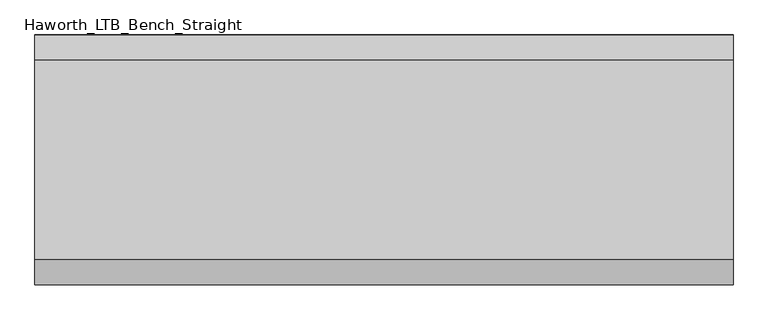
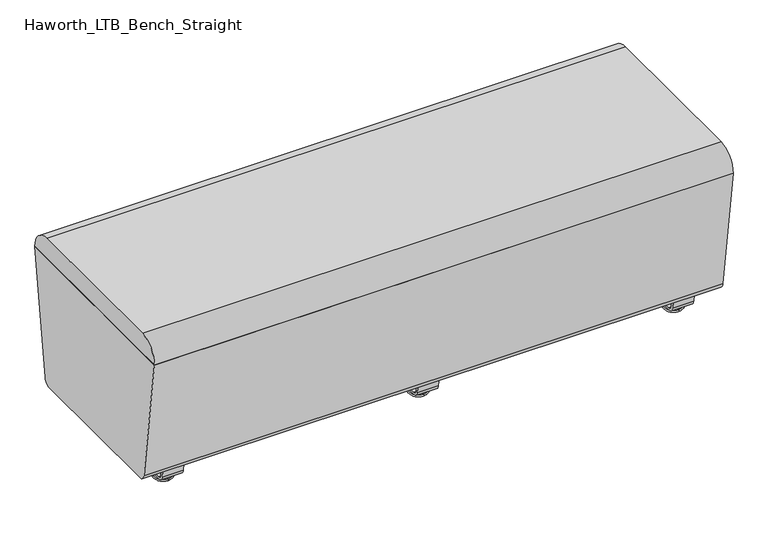
"""IFC4 building model written with IfcOpenShell, lengths in millimetres: furniture geometry, Haworth_LTB_Bench_Straight."""

from ifc_helpers import new_model, si_unit, point, frame, frame_2d, origin, place, context, project, spatial, polyline, circle_curve, ellipse_curve, trimmed, segment, composite_curve, outline, extrude, source, transform, mapped, element, save
from ifc_brep_helpers import plane_surface, cylinder_surface, revolved_surface, advanced_brep


def haworth_ltb_bench_straight_bf24e24e(model_context):
    return source(origin(), model_context, "Body", "SolidModel", [
        extrude(outline(composite_curve([segment(trimmed(circle_curve(frame_2d((187.8390314, 68.9999996)), 18.9999992), [point((206.6541239, 66.3557108))], [point((187.8390314, 50.0000004))], False, "CARTESIAN"), True, "CONTINUOUS"), segment(polyline([(187.8390314, 50.0000004), (-187.8390314, 50.0000004)]), True, "CONTINUOUS"), segment(trimmed(circle_curve(frame_2d((-187.8390314, 68.9999996)), 18.9999992), [point((-187.8390314, 50.0000004))], [point((-206.6541239, 66.3557108))], False, "CARTESIAN"), True, "CONTINUOUS"), segment(polyline([(-206.6541239, 66.3557108), (-249.9820603, 374.65), (249.9820603, 374.65), (206.6541239, 66.3557108)]), True, "CONTINUOUS")], self_intersect=False)), frame((-698.5, 0.0, 0.0), z_axis=(1.0, 0.0, 0.0), x_axis=(0.0, 1.0, 0.0)), (0.0, 0.0, 1.0), 1397.0),
        extrude(outline(composite_curve([segment(trimmed(circle_curve(frame_2d((200.0364582, 375.0527773)), 49.9472261), [point((200.0364582, 425.0000034))], [point((249.9820603, 374.6499999))], False, "CARTESIAN"), True, "CONTINUOUS"), segment(polyline([(249.9820603, 374.6499999), (-249.9820603, 374.6499999)]), True, "CONTINUOUS"), segment(trimmed(circle_curve(frame_2d((-200.0364582, 375.0527773)), 49.9472261), [point((-249.9820603, 374.6499999))], [point((-200.0364582, 425.0000034))], False, "CARTESIAN"), True, "CONTINUOUS"), segment(polyline([(-200.0364582, 425.0000034), (200.0364582, 425.0000034)]), True, "CONTINUOUS")], self_intersect=False)), frame((-698.5, 0.0, 0.0), z_axis=(1.0, 0.0, 0.0), x_axis=(0.0, 1.0, 0.0)), (0.0, 0.0, 1.0), 1397.0),
        advanced_brep(
        [(0.0, -134.8425052, 7.8133431), (0.0, -150.8355515, 7.8133431), (0.0, -147.6015284, 7.8133431), (0.0, -138.0765284, 7.8133431), (0.0, -120.9001513, 4.0775), (0.0, -164.7779054, 4.0775), (0.0, -121.3107026, 0.0), (0.0, -164.3673542, 0.0), (0.0, -142.8390284, 0.0), (0.0, -138.0765284, 50.0000004), (0.0, -147.6015284, 50.0000004), (0.0, -142.8390284, 50.0000004)],
        [
            (0, 1, circle_curve(frame((0.0, -142.8390284, 7.8133431), z_axis=(0.0, 0.0, 1.0), x_axis=(0.0, -1.0, 0.0)), 7.9965232)),
            (1, 2),
            (2, 3, circle_curve(frame((0.0, -142.8390284, 7.8133431), z_axis=(0.0, 0.0, -1.0), x_axis=(0.0, -1.0, 0.0)), 4.7625)),
            (3, 0),
            (1, 0, circle_curve(frame((0.0, -142.8390284, 7.8133431), z_axis=(0.0, 0.0, 1.0), x_axis=(0.0, -1.0, 0.0)), 7.9965232)),
            (3, 2, circle_curve(frame((0.0, -142.8390284, 7.8133431), z_axis=(0.0, 0.0, -1.0), x_axis=(0.0, -1.0, 0.0)), 4.7625)),
            (4, 5, circle_curve(frame((0.0, -142.8390284, 4.0775), z_axis=(0.0, 0.0, 1.0), x_axis=(0.0, -1.0, 0.0)), 21.9388771)),
            (5, 1),
            (0, 4),
            (5, 4, circle_curve(frame((0.0, -142.8390284, 4.0775), z_axis=(0.0, 0.0, 1.0), x_axis=(0.0, -1.0, 0.0)), 21.9388771)),
            (6, 7, circle_curve(frame((0.0, -142.8390284, 0.0), z_axis=(0.0, 0.0, 1.0), x_axis=(0.0, -1.0, 0.0)), 21.5283258)),
            (7, 5, circle_curve(frame((0.0, -164.2405822, 2.0721829), z_axis=(-1.0, 0.0, 0.0), x_axis=(0.0, 1.0, 0.0)), 2.0760571)),
            (4, 6, circle_curve(frame((0.0, -121.4374745, 2.0721829), z_axis=(-1.0, 0.0, 0.0), x_axis=(0.0, -1.0, 0.0)), 2.0760571)),
            (7, 6, circle_curve(frame((0.0, -142.8390284, 0.0), z_axis=(0.0, 0.0, 1.0), x_axis=(0.0, -1.0, 0.0)), 21.5283258)),
            (8, 7),
            (6, 8),
            (9, 10, circle_curve(frame((0.0, -142.8390284, 50.0000004), z_axis=(0.0, 0.0, 1.0), x_axis=(0.0, -1.0, 0.0)), 4.7625)),
            (10, 11),
            (11, 9),
            (10, 9, circle_curve(frame((0.0, -142.8390284, 50.0000004), z_axis=(0.0, 0.0, 1.0), x_axis=(0.0, -1.0, 0.0)), 4.7625)),
            (2, 10),
            (9, 3),
        ],
        [
            plane_surface(frame((0.0, -142.8390284, 7.8133431), z_axis=(0.0, 0.0, 1.0), x_axis=(0.0, -1.0, 0.0))),
            revolved_surface(polyline([(0.0, -150.8355515, 7.8133431), (0.0, -164.7779054, 4.0775)]), (0.0, -142.8390284, 0.0), (0.0, 0.0, -1.0)),
            revolved_surface(trimmed(ellipse_curve(frame((0.0, -164.2405822, 2.0721829), z_axis=(1.0, 0.0, 0.0), x_axis=(0.0, 1.0, 0.0)), 2.0760571, 2.0760571), [point((0.0, -164.7779054, 4.0775))], [point((0.0, -164.3673542, 0.0))], True, "CARTESIAN"), (0.0, -142.8390284, 0.0), (0.0, 0.0, -1.0)),
            plane_surface(frame((0.0, -142.8390284, 0.0), z_axis=(0.0, 0.0, -1.0), x_axis=(0.0, -1.0, 0.0))),
            plane_surface(frame((0.0, -142.8390284, 50.0000004), z_axis=(0.0, 0.0, 1.0), x_axis=(0.0, -1.0, 0.0))),
            cylinder_surface(frame((0.0, -142.8390284, 0.0), z_axis=(0.0, 0.0, -1.0), x_axis=(0.0, -1.0, 0.0)), 4.7625),
        ],
        [
            (0, [[1, 2, 3, 4]]),
            (0, [[5, -4, 6, -2]]),
            (1, [[7, 8, -1, 9]]),
            (1, [[10, -9, -5, -8]]),
            (2, [[11, 12, -7, 13]]),
            (2, [[14, -13, -10, -12]]),
            (3, [[15, -11, 16]]),
            (3, [[-16, -14, -15]]),
            (4, [[17, 18, 19]]),
            (4, [[20, -19, -18]]),
            (5, [[-3, 21, -17, 22]]),
            (5, [[-6, -22, -20, -21]]),
        ],
    ),
        advanced_brep(
        [(0.0, 138.0765284, 7.8133431), (0.0, 147.6015284, 7.8133431), (0.0, 150.8355515, 7.8133431), (0.0, 134.8425052, 7.8133431), (0.0, 164.7779054, 4.0775), (0.0, 120.9001513, 4.0775), (0.0, 164.3673542, 0.0), (0.0, 121.3107026, 0.0), (0.0, 142.8390284, 0.0), (0.0, 142.8390284, 50.0000004), (0.0, 147.6015284, 50.0000004), (0.0, 138.0765284, 50.0000004)],
        [
            (0, 1, circle_curve(frame((0.0, 142.8390284, 7.8133431), z_axis=(0.0, 0.0, -1.0), x_axis=(0.0, 1.0, 0.0)), 4.7625)),
            (1, 2),
            (2, 3, circle_curve(frame((0.0, 142.8390284, 7.8133431), z_axis=(0.0, 0.0, 1.0), x_axis=(0.0, 1.0, 0.0)), 7.9965232)),
            (3, 0),
            (1, 0, circle_curve(frame((0.0, 142.8390284, 7.8133431), z_axis=(0.0, 0.0, -1.0), x_axis=(0.0, 1.0, 0.0)), 4.7625)),
            (3, 2, circle_curve(frame((0.0, 142.8390284, 7.8133431), z_axis=(0.0, 0.0, 1.0), x_axis=(0.0, 1.0, 0.0)), 7.9965232)),
            (2, 4),
            (4, 5, circle_curve(frame((0.0, 142.8390284, 4.0775), z_axis=(0.0, 0.0, 1.0), x_axis=(0.0, 1.0, 0.0)), 21.9388771)),
            (5, 3),
            (5, 4, circle_curve(frame((0.0, 142.8390284, 4.0775), z_axis=(0.0, 0.0, 1.0), x_axis=(0.0, 1.0, 0.0)), 21.9388771)),
            (4, 6, circle_curve(frame((0.0, 164.2405822, 2.0721829), z_axis=(-1.0, 0.0, 0.0), x_axis=(0.0, -1.0, 0.0)), 2.0760571)),
            (6, 7, circle_curve(frame((0.0, 142.8390284, 0.0), z_axis=(0.0, 0.0, 1.0), x_axis=(0.0, 1.0, 0.0)), 21.5283258)),
            (7, 5, circle_curve(frame((0.0, 121.4374745, 2.0721829), z_axis=(-1.0, 0.0, 0.0), x_axis=(0.0, 1.0, 0.0)), 2.0760571)),
            (7, 6, circle_curve(frame((0.0, 142.8390284, 0.0), z_axis=(0.0, 0.0, 1.0), x_axis=(0.0, 1.0, 0.0)), 21.5283258)),
            (6, 8),
            (8, 7),
            (9, 10),
            (10, 11, circle_curve(frame((0.0, 142.8390284, 50.0000004), z_axis=(0.0, 0.0, 1.0), x_axis=(0.0, 1.0, 0.0)), 4.7625)),
            (11, 9),
            (11, 10, circle_curve(frame((0.0, 142.8390284, 50.0000004), z_axis=(0.0, 0.0, 1.0), x_axis=(0.0, 1.0, 0.0)), 4.7625)),
            (10, 1),
            (0, 11),
        ],
        [
            plane_surface(frame((0.0, 142.8390284, 7.8133431), z_axis=(0.0, 0.0, 1.0), x_axis=(0.0, 1.0, 0.0))),
            revolved_surface(polyline([(0.0, 164.7779054, 4.0775), (0.0, 150.8355515, 7.8133431)]), (0.0, 142.8390284, 0.0), (0.0, 0.0, 1.0)),
            revolved_surface(trimmed(ellipse_curve(frame((0.0, 164.2405822, 2.0721829), z_axis=(1.0, 0.0, 0.0), x_axis=(0.0, -1.0, 0.0)), 2.0760571, 2.0760571), [point((0.0, 164.3673542, 0.0))], [point((0.0, 164.7779054, 4.0775))], True, "CARTESIAN"), (0.0, 142.8390284, 0.0), (0.0, 0.0, 1.0)),
            plane_surface(frame((0.0, 142.8390284, 0.0), z_axis=(0.0, 0.0, -1.0), x_axis=(0.0, 1.0, 0.0))),
            plane_surface(frame((0.0, 142.8390284, 50.0000004), z_axis=(0.0, 0.0, 1.0), x_axis=(0.0, 1.0, 0.0))),
            cylinder_surface(frame((0.0, 142.8390284, 0.0), z_axis=(0.0, 0.0, 1.0), x_axis=(0.0, 1.0, 0.0)), 4.7625),
        ],
        [
            (0, [[1, 2, 3, 4]]),
            (0, [[5, -4, 6, -2]]),
            (1, [[-3, 7, 8, 9]]),
            (1, [[-6, -9, 10, -7]]),
            (2, [[-8, 11, 12, 13]]),
            (2, [[-10, -13, 14, -11]]),
            (3, [[-12, 15, 16]]),
            (3, [[-14, -16, -15]]),
            (4, [[17, 18, 19]]),
            (4, [[-19, 20, -17]]),
            (5, [[-18, 21, -1, 22]]),
            (5, [[-20, -22, -5, -21]]),
        ],
    ),
        extrude(outline(composite_curve([segment(polyline([(188.6158944, 62.9950557), (183.6853496, 27.9124042)]), True, "CONTINUOUS"), segment(trimmed(circle_curve(frame_2d((168.8313276, 30.0000007)), 15.000001), [point((183.6853496, 27.9124042))], [point((168.8313276, 14.9999997))], False, "CARTESIAN"), True, "CONTINUOUS"), segment(polyline([(168.8313276, 14.9999997), (-168.8313276, 14.9999997)]), True, "CONTINUOUS"), segment(trimmed(circle_curve(frame_2d((-168.8313276, 30.0000007)), 15.000001), [point((-168.8313276, 14.9999997))], [point((-183.6853496, 27.9124042))], False, "CARTESIAN"), True, "CONTINUOUS"), segment(polyline([(-183.6853496, 27.9124042), (-188.6158944, 62.9950557), (-182.9812615, 63.7869505), (-178.0507241, 28.7043023)]), True, "CONTINUOUS"), segment(trimmed(circle_curve(frame_2d((-168.8313262, 30.0000023)), 9.310002), [point((-178.0507241, 28.7043023))], [point((-168.8313262, 20.6900003))], True, "CARTESIAN"), True, "CONTINUOUS"), segment(polyline([(-168.8313262, 20.6900003), (168.8313262, 20.6900003)]), True, "CONTINUOUS"), segment(trimmed(circle_curve(frame_2d((168.8313262, 30.0000023)), 9.310002), [point((168.8313262, 20.6900003))], [point((178.0507241, 28.7043023))], True, "CARTESIAN"), True, "CONTINUOUS"), segment(polyline([(178.0507241, 28.7043023), (182.9812615, 63.7869505), (188.6158944, 62.9950557)]), True, "CONTINUOUS")], self_intersect=False)), frame((-25.4, 0.0, 0.0), z_axis=(1.0, 0.0, 0.0), x_axis=(0.0, 1.0, 0.0)), (0.0, 0.0, 1.0), 50.8),
        advanced_brep(
        [(616.0045358, -134.8425052, 7.8133431), (616.0045358, -150.8355515, 7.8133431), (616.0045358, -147.6015284, 7.8133431), (616.0045358, -138.0765284, 7.8133431), (616.0045358, -120.9001513, 4.0775), (616.0045358, -164.7779054, 4.0775), (616.0045358, -121.3107026, 0.0), (616.0045358, -164.3673542, 0.0), (616.0045358, -142.8390284, 0.0), (616.0045358, -138.0765284, 50.0000004), (616.0045358, -147.6015284, 50.0000004), (616.0045358, -142.8390284, 50.0000004)],
        [
            (0, 1, circle_curve(frame((616.0045358, -142.8390284, 7.8133431), z_axis=(0.0, 0.0, 1.0), x_axis=(0.0, -1.0, 0.0)), 7.9965232)),
            (1, 2),
            (2, 3, circle_curve(frame((616.0045358, -142.8390284, 7.8133431), z_axis=(0.0, 0.0, -1.0), x_axis=(0.0, -1.0, 0.0)), 4.7625)),
            (3, 0),
            (1, 0, circle_curve(frame((616.0045358, -142.8390284, 7.8133431), z_axis=(0.0, 0.0, 1.0), x_axis=(0.0, -1.0, 0.0)), 7.9965232)),
            (3, 2, circle_curve(frame((616.0045358, -142.8390284, 7.8133431), z_axis=(0.0, 0.0, -1.0), x_axis=(0.0, -1.0, 0.0)), 4.7625)),
            (4, 5, circle_curve(frame((616.0045358, -142.8390284, 4.0775), z_axis=(0.0, 0.0, 1.0), x_axis=(0.0, -1.0, 0.0)), 21.9388771)),
            (5, 1),
            (0, 4),
            (5, 4, circle_curve(frame((616.0045358, -142.8390284, 4.0775), z_axis=(0.0, 0.0, 1.0), x_axis=(0.0, -1.0, 0.0)), 21.9388771)),
            (6, 7, circle_curve(frame((616.0045358, -142.8390284, 0.0), z_axis=(0.0, 0.0, 1.0), x_axis=(0.0, -1.0, 0.0)), 21.5283258)),
            (7, 5, circle_curve(frame((616.0045358, -164.2405822, 2.0721829), z_axis=(-1.0, 0.0, 0.0), x_axis=(0.0, 1.0, 0.0)), 2.0760571)),
            (4, 6, circle_curve(frame((616.0045358, -121.4374745, 2.0721829), z_axis=(-1.0, 0.0, 0.0), x_axis=(0.0, -1.0, 0.0)), 2.0760571)),
            (7, 6, circle_curve(frame((616.0045358, -142.8390284, 0.0), z_axis=(0.0, 0.0, 1.0), x_axis=(0.0, -1.0, 0.0)), 21.5283258)),
            (8, 7),
            (6, 8),
            (9, 10, circle_curve(frame((616.0045358, -142.8390284, 50.0000004), z_axis=(0.0, 0.0, 1.0), x_axis=(0.0, -1.0, 0.0)), 4.7625)),
            (10, 11),
            (11, 9),
            (10, 9, circle_curve(frame((616.0045358, -142.8390284, 50.0000004), z_axis=(0.0, 0.0, 1.0), x_axis=(0.0, -1.0, 0.0)), 4.7625)),
            (2, 10),
            (9, 3),
        ],
        [
            plane_surface(frame((616.0045358, -142.8390284, 7.8133431), z_axis=(0.0, 0.0, 1.0), x_axis=(0.0, -1.0, 0.0))),
            revolved_surface(polyline([(616.0045358, -150.8355515, 7.8133431), (616.0045358, -164.7779054, 4.0775)]), (616.0045358, -142.8390284, 0.0), (0.0, 0.0, -1.0)),
            revolved_surface(trimmed(ellipse_curve(frame((616.0045358, -164.2405822, 2.0721829), z_axis=(1.0, 0.0, 0.0), x_axis=(0.0, 1.0, 0.0)), 2.0760571, 2.0760571), [point((616.0045358, -164.7779054, 4.0775))], [point((616.0045358, -164.3673542, 0.0))], True, "CARTESIAN"), (616.0045358, -142.8390284, 0.0), (0.0, 0.0, -1.0)),
            plane_surface(frame((616.0045358, -142.8390284, 0.0), z_axis=(0.0, 0.0, -1.0), x_axis=(0.0, -1.0, 0.0))),
            plane_surface(frame((616.0045358, -142.8390284, 50.0000004), z_axis=(0.0, 0.0, 1.0), x_axis=(0.0, -1.0, 0.0))),
            cylinder_surface(frame((616.0045358, -142.8390284, 0.0), z_axis=(0.0, 0.0, -1.0), x_axis=(0.0, -1.0, 0.0)), 4.7625),
        ],
        [
            (0, [[1, 2, 3, 4]]),
            (0, [[5, -4, 6, -2]]),
            (1, [[7, 8, -1, 9]]),
            (1, [[10, -9, -5, -8]]),
            (2, [[11, 12, -7, 13]]),
            (2, [[14, -13, -10, -12]]),
            (3, [[15, -11, 16]]),
            (3, [[-16, -14, -15]]),
            (4, [[17, 18, 19]]),
            (4, [[20, -19, -18]]),
            (5, [[-3, 21, -17, 22]]),
            (5, [[-6, -22, -20, -21]]),
        ],
    ),
        advanced_brep(
        [(616.0045358, 138.0765284, 7.8133431), (616.0045358, 147.6015284, 7.8133431), (616.0045358, 150.8355515, 7.8133431), (616.0045358, 134.8425052, 7.8133431), (616.0045358, 164.7779054, 4.0775), (616.0045358, 120.9001513, 4.0775), (616.0045358, 164.3673542, 0.0), (616.0045358, 121.3107026, 0.0), (616.0045358, 142.8390284, 0.0), (616.0045358, 142.8390284, 50.0000004), (616.0045358, 147.6015284, 50.0000004), (616.0045358, 138.0765284, 50.0000004)],
        [
            (0, 1, circle_curve(frame((616.0045358, 142.8390284, 7.8133431), z_axis=(0.0, 0.0, -1.0), x_axis=(0.0, 1.0, 0.0)), 4.7625)),
            (1, 2),
            (2, 3, circle_curve(frame((616.0045358, 142.8390284, 7.8133431), z_axis=(0.0, 0.0, 1.0), x_axis=(0.0, 1.0, 0.0)), 7.9965232)),
            (3, 0),
            (1, 0, circle_curve(frame((616.0045358, 142.8390284, 7.8133431), z_axis=(0.0, 0.0, -1.0), x_axis=(0.0, 1.0, 0.0)), 4.7625)),
            (3, 2, circle_curve(frame((616.0045358, 142.8390284, 7.8133431), z_axis=(0.0, 0.0, 1.0), x_axis=(0.0, 1.0, 0.0)), 7.9965232)),
            (2, 4),
            (4, 5, circle_curve(frame((616.0045358, 142.8390284, 4.0775), z_axis=(0.0, 0.0, 1.0), x_axis=(0.0, 1.0, 0.0)), 21.9388771)),
            (5, 3),
            (5, 4, circle_curve(frame((616.0045358, 142.8390284, 4.0775), z_axis=(0.0, 0.0, 1.0), x_axis=(0.0, 1.0, 0.0)), 21.9388771)),
            (4, 6, circle_curve(frame((616.0045358, 164.2405822, 2.0721829), z_axis=(-1.0, 0.0, 0.0), x_axis=(0.0, -1.0, 0.0)), 2.0760571)),
            (6, 7, circle_curve(frame((616.0045358, 142.8390284, 0.0), z_axis=(0.0, 0.0, 1.0), x_axis=(0.0, 1.0, 0.0)), 21.5283258)),
            (7, 5, circle_curve(frame((616.0045358, 121.4374745, 2.0721829), z_axis=(-1.0, 0.0, 0.0), x_axis=(0.0, 1.0, 0.0)), 2.0760571)),
            (7, 6, circle_curve(frame((616.0045358, 142.8390284, 0.0), z_axis=(0.0, 0.0, 1.0), x_axis=(0.0, 1.0, 0.0)), 21.5283258)),
            (6, 8),
            (8, 7),
            (9, 10),
            (10, 11, circle_curve(frame((616.0045358, 142.8390284, 50.0000004), z_axis=(0.0, 0.0, 1.0), x_axis=(0.0, 1.0, 0.0)), 4.7625)),
            (11, 9),
            (11, 10, circle_curve(frame((616.0045358, 142.8390284, 50.0000004), z_axis=(0.0, 0.0, 1.0), x_axis=(0.0, 1.0, 0.0)), 4.7625)),
            (10, 1),
            (0, 11),
        ],
        [
            plane_surface(frame((616.0045358, 142.8390284, 7.8133431), z_axis=(0.0, 0.0, 1.0), x_axis=(0.0, 1.0, 0.0))),
            revolved_surface(polyline([(616.0045358, 164.7779054, 4.0775), (616.0045358, 150.8355515, 7.8133431)]), (616.0045358, 142.8390284, 0.0), (0.0, 0.0, 1.0)),
            revolved_surface(trimmed(ellipse_curve(frame((616.0045358, 164.2405822, 2.0721829), z_axis=(1.0, 0.0, 0.0), x_axis=(0.0, -1.0, 0.0)), 2.0760571, 2.0760571), [point((616.0045358, 164.3673542, 0.0))], [point((616.0045358, 164.7779054, 4.0775))], True, "CARTESIAN"), (616.0045358, 142.8390284, 0.0), (0.0, 0.0, 1.0)),
            plane_surface(frame((616.0045358, 142.8390284, 0.0), z_axis=(0.0, 0.0, -1.0), x_axis=(0.0, 1.0, 0.0))),
            plane_surface(frame((616.0045358, 142.8390284, 50.0000004), z_axis=(0.0, 0.0, 1.0), x_axis=(0.0, 1.0, 0.0))),
            cylinder_surface(frame((616.0045358, 142.8390284, 0.0), z_axis=(0.0, 0.0, 1.0), x_axis=(0.0, 1.0, 0.0)), 4.7625),
        ],
        [
            (0, [[1, 2, 3, 4]]),
            (0, [[5, -4, 6, -2]]),
            (1, [[-3, 7, 8, 9]]),
            (1, [[-6, -9, 10, -7]]),
            (2, [[-8, 11, 12, 13]]),
            (2, [[-10, -13, 14, -11]]),
            (3, [[-12, 15, 16]]),
            (3, [[-14, -16, -15]]),
            (4, [[17, 18, 19]]),
            (4, [[-19, 20, -17]]),
            (5, [[-18, 21, -1, 22]]),
            (5, [[-20, -22, -5, -21]]),
        ],
    ),
        extrude(outline(composite_curve([segment(polyline([(188.6158944, 62.9950557), (183.6853496, 27.9124042)]), True, "CONTINUOUS"), segment(trimmed(circle_curve(frame_2d((168.8313276, 30.0000007)), 15.000001), [point((183.6853496, 27.9124042))], [point((168.8313276, 14.9999997))], False, "CARTESIAN"), True, "CONTINUOUS"), segment(polyline([(168.8313276, 14.9999997), (-168.8313276, 14.9999997)]), True, "CONTINUOUS"), segment(trimmed(circle_curve(frame_2d((-168.8313276, 30.0000007)), 15.000001), [point((-168.8313276, 14.9999997))], [point((-183.6853496, 27.9124042))], False, "CARTESIAN"), True, "CONTINUOUS"), segment(polyline([(-183.6853496, 27.9124042), (-188.6158944, 62.9950557), (-182.9812615, 63.7869505), (-178.0507241, 28.7043023)]), True, "CONTINUOUS"), segment(trimmed(circle_curve(frame_2d((-168.8313262, 30.0000023)), 9.310002), [point((-178.0507241, 28.7043023))], [point((-168.8313262, 20.6900003))], True, "CARTESIAN"), True, "CONTINUOUS"), segment(polyline([(-168.8313262, 20.6900003), (168.8313262, 20.6900003)]), True, "CONTINUOUS"), segment(trimmed(circle_curve(frame_2d((168.8313262, 30.0000023)), 9.310002), [point((168.8313262, 20.6900003))], [point((178.0507241, 28.7043023))], True, "CARTESIAN"), True, "CONTINUOUS"), segment(polyline([(178.0507241, 28.7043023), (182.9812615, 63.7869505), (188.6158944, 62.9950557)]), True, "CONTINUOUS")], self_intersect=False)), frame((590.6045358, 0.0, 0.0), z_axis=(1.0, 0.0, 0.0), x_axis=(0.0, 1.0, 0.0)), (0.0, 0.0, 1.0), 50.8),
        advanced_brep(
        [(-616.0045358, -138.0765284, 7.8133431), (-616.0045358, -147.6015284, 7.8133431), (-616.0045358, -150.8355515, 7.8133431), (-616.0045358, -134.8425052, 7.8133431), (-616.0045358, -164.7779054, 4.0775), (-616.0045358, -120.9001513, 4.0775), (-616.0045358, -164.3673542, 0.0), (-616.0045358, -121.3107026, 0.0), (-616.0045358, -142.8390284, 0.0), (-616.0045358, -142.8390284, 50.0000004), (-616.0045358, -147.6015284, 50.0000004), (-616.0045358, -138.0765284, 50.0000004)],
        [
            (0, 1, circle_curve(frame((-616.0045358, -142.8390284, 7.8133431), z_axis=(0.0, 0.0, -1.0), x_axis=(0.0, -1.0, 0.0)), 4.7625)),
            (1, 2),
            (2, 3, circle_curve(frame((-616.0045358, -142.8390284, 7.8133431), z_axis=(0.0, 0.0, 1.0), x_axis=(0.0, -1.0, 0.0)), 7.9965232)),
            (3, 0),
            (1, 0, circle_curve(frame((-616.0045358, -142.8390284, 7.8133431), z_axis=(0.0, 0.0, -1.0), x_axis=(0.0, -1.0, 0.0)), 4.7625)),
            (3, 2, circle_curve(frame((-616.0045358, -142.8390284, 7.8133431), z_axis=(0.0, 0.0, 1.0), x_axis=(0.0, -1.0, 0.0)), 7.9965232)),
            (2, 4),
            (4, 5, circle_curve(frame((-616.0045358, -142.8390284, 4.0775), z_axis=(0.0, 0.0, 1.0), x_axis=(0.0, -1.0, 0.0)), 21.9388771)),
            (5, 3),
            (5, 4, circle_curve(frame((-616.0045358, -142.8390284, 4.0775), z_axis=(0.0, 0.0, 1.0), x_axis=(0.0, -1.0, 0.0)), 21.9388771)),
            (4, 6, circle_curve(frame((-616.0045358, -164.2405822, 2.0721829), z_axis=(1.0, 0.0, 0.0), x_axis=(0.0, 1.0, 0.0)), 2.0760571)),
            (6, 7, circle_curve(frame((-616.0045358, -142.8390284, 0.0), z_axis=(0.0, 0.0, 1.0), x_axis=(0.0, -1.0, 0.0)), 21.5283258)),
            (7, 5, circle_curve(frame((-616.0045358, -121.4374745, 2.0721829), z_axis=(1.0, 0.0, 0.0), x_axis=(0.0, -1.0, 0.0)), 2.0760571)),
            (7, 6, circle_curve(frame((-616.0045358, -142.8390284, 0.0), z_axis=(0.0, 0.0, 1.0), x_axis=(0.0, -1.0, 0.0)), 21.5283258)),
            (6, 8),
            (8, 7),
            (9, 10),
            (10, 11, circle_curve(frame((-616.0045358, -142.8390284, 50.0000004), z_axis=(0.0, 0.0, 1.0), x_axis=(0.0, -1.0, 0.0)), 4.7625)),
            (11, 9),
            (11, 10, circle_curve(frame((-616.0045358, -142.8390284, 50.0000004), z_axis=(0.0, 0.0, 1.0), x_axis=(0.0, -1.0, 0.0)), 4.7625)),
            (10, 1),
            (0, 11),
        ],
        [
            plane_surface(frame((-616.0045358, -142.8390284, 7.8133431), z_axis=(0.0, 0.0, 1.0), x_axis=(0.0, -1.0, 0.0))),
            revolved_surface(polyline([(-616.0045358, -164.7779054, 4.0775), (-616.0045358, -150.8355515, 7.8133431)]), (-616.0045358, -142.8390284, 0.0), (0.0, 0.0, 1.0)),
            revolved_surface(trimmed(ellipse_curve(frame((-616.0045358, -164.2405822, 2.0721829), z_axis=(-1.0, 0.0, 0.0), x_axis=(0.0, 1.0, 0.0)), 2.0760571, 2.0760571), [point((-616.0045358, -164.3673542, 0.0))], [point((-616.0045358, -164.7779054, 4.0775))], True, "CARTESIAN"), (-616.0045358, -142.8390284, 0.0), (0.0, 0.0, 1.0)),
            plane_surface(frame((-616.0045358, -142.8390284, 0.0), z_axis=(0.0, 0.0, -1.0), x_axis=(0.0, -1.0, 0.0))),
            plane_surface(frame((-616.0045358, -142.8390284, 50.0000004), z_axis=(0.0, 0.0, 1.0), x_axis=(0.0, -1.0, 0.0))),
            cylinder_surface(frame((-616.0045358, -142.8390284, 0.0), z_axis=(0.0, 0.0, 1.0), x_axis=(0.0, -1.0, 0.0)), 4.7625),
        ],
        [
            (0, [[1, 2, 3, 4]]),
            (0, [[5, -4, 6, -2]]),
            (1, [[-3, 7, 8, 9]]),
            (1, [[-6, -9, 10, -7]]),
            (2, [[-8, 11, 12, 13]]),
            (2, [[-10, -13, 14, -11]]),
            (3, [[-12, 15, 16]]),
            (3, [[-14, -16, -15]]),
            (4, [[17, 18, 19]]),
            (4, [[-19, 20, -17]]),
            (5, [[-18, 21, -1, 22]]),
            (5, [[-20, -22, -5, -21]]),
        ],
    ),
        advanced_brep(
        [(-616.0045358, 134.8425052, 7.8133431), (-616.0045358, 150.8355515, 7.8133431), (-616.0045358, 147.6015284, 7.8133431), (-616.0045358, 138.0765284, 7.8133431), (-616.0045358, 120.9001513, 4.0775), (-616.0045358, 164.7779054, 4.0775), (-616.0045358, 121.3107026, 0.0), (-616.0045358, 164.3673542, 0.0), (-616.0045358, 142.8390284, 0.0), (-616.0045358, 138.0765284, 50.0000004), (-616.0045358, 147.6015284, 50.0000004), (-616.0045358, 142.8390284, 50.0000004)],
        [
            (0, 1, circle_curve(frame((-616.0045358, 142.8390284, 7.8133431), z_axis=(0.0, 0.0, 1.0), x_axis=(0.0, 1.0, 0.0)), 7.9965232)),
            (1, 2),
            (2, 3, circle_curve(frame((-616.0045358, 142.8390284, 7.8133431), z_axis=(0.0, 0.0, -1.0), x_axis=(0.0, 1.0, 0.0)), 4.7625)),
            (3, 0),
            (1, 0, circle_curve(frame((-616.0045358, 142.8390284, 7.8133431), z_axis=(0.0, 0.0, 1.0), x_axis=(0.0, 1.0, 0.0)), 7.9965232)),
            (3, 2, circle_curve(frame((-616.0045358, 142.8390284, 7.8133431), z_axis=(0.0, 0.0, -1.0), x_axis=(0.0, 1.0, 0.0)), 4.7625)),
            (4, 5, circle_curve(frame((-616.0045358, 142.8390284, 4.0775), z_axis=(0.0, 0.0, 1.0), x_axis=(0.0, 1.0, 0.0)), 21.9388771)),
            (5, 1),
            (0, 4),
            (5, 4, circle_curve(frame((-616.0045358, 142.8390284, 4.0775), z_axis=(0.0, 0.0, 1.0), x_axis=(0.0, 1.0, 0.0)), 21.9388771)),
            (6, 7, circle_curve(frame((-616.0045358, 142.8390284, 0.0), z_axis=(0.0, 0.0, 1.0), x_axis=(0.0, 1.0, 0.0)), 21.5283258)),
            (7, 5, circle_curve(frame((-616.0045358, 164.2405822, 2.0721829), z_axis=(1.0, 0.0, 0.0), x_axis=(0.0, -1.0, 0.0)), 2.0760571)),
            (4, 6, circle_curve(frame((-616.0045358, 121.4374745, 2.0721829), z_axis=(1.0, 0.0, 0.0), x_axis=(0.0, 1.0, 0.0)), 2.0760571)),
            (7, 6, circle_curve(frame((-616.0045358, 142.8390284, 0.0), z_axis=(0.0, 0.0, 1.0), x_axis=(0.0, 1.0, 0.0)), 21.5283258)),
            (8, 7),
            (6, 8),
            (9, 10, circle_curve(frame((-616.0045358, 142.8390284, 50.0000004), z_axis=(0.0, 0.0, 1.0), x_axis=(0.0, 1.0, 0.0)), 4.7625)),
            (10, 11),
            (11, 9),
            (10, 9, circle_curve(frame((-616.0045358, 142.8390284, 50.0000004), z_axis=(0.0, 0.0, 1.0), x_axis=(0.0, 1.0, 0.0)), 4.7625)),
            (2, 10),
            (9, 3),
        ],
        [
            plane_surface(frame((-616.0045358, 142.8390284, 7.8133431), z_axis=(0.0, 0.0, 1.0), x_axis=(0.0, 1.0, 0.0))),
            revolved_surface(polyline([(-616.0045358, 150.8355515, 7.8133431), (-616.0045358, 164.7779054, 4.0775)]), (-616.0045358, 142.8390284, 0.0), (0.0, 0.0, -1.0)),
            revolved_surface(trimmed(ellipse_curve(frame((-616.0045358, 164.2405822, 2.0721829), z_axis=(-1.0, 0.0, 0.0), x_axis=(0.0, -1.0, 0.0)), 2.0760571, 2.0760571), [point((-616.0045358, 164.7779054, 4.0775))], [point((-616.0045358, 164.3673542, 0.0))], True, "CARTESIAN"), (-616.0045358, 142.8390284, 0.0), (0.0, 0.0, -1.0)),
            plane_surface(frame((-616.0045358, 142.8390284, 0.0), z_axis=(0.0, 0.0, -1.0), x_axis=(0.0, 1.0, 0.0))),
            plane_surface(frame((-616.0045358, 142.8390284, 50.0000004), z_axis=(0.0, 0.0, 1.0), x_axis=(0.0, 1.0, 0.0))),
            cylinder_surface(frame((-616.0045358, 142.8390284, 0.0), z_axis=(0.0, 0.0, -1.0), x_axis=(0.0, 1.0, 0.0)), 4.7625),
        ],
        [
            (0, [[1, 2, 3, 4]]),
            (0, [[5, -4, 6, -2]]),
            (1, [[7, 8, -1, 9]]),
            (1, [[10, -9, -5, -8]]),
            (2, [[11, 12, -7, 13]]),
            (2, [[14, -13, -10, -12]]),
            (3, [[15, -11, 16]]),
            (3, [[-16, -14, -15]]),
            (4, [[17, 18, 19]]),
            (4, [[20, -19, -18]]),
            (5, [[-3, 21, -17, 22]]),
            (5, [[-6, -22, -20, -21]]),
        ],
    ),
        extrude(outline(composite_curve([segment(polyline([(188.6158944, 62.9950557), (183.6853496, 27.9124042)]), True, "CONTINUOUS"), segment(trimmed(circle_curve(frame_2d((168.8313276, 30.0000007)), 15.000001), [point((183.6853496, 27.9124042))], [point((168.8313276, 14.9999997))], False, "CARTESIAN"), True, "CONTINUOUS"), segment(polyline([(168.8313276, 14.9999997), (-168.8313276, 14.9999997)]), True, "CONTINUOUS"), segment(trimmed(circle_curve(frame_2d((-168.8313276, 30.0000007)), 15.000001), [point((-168.8313276, 14.9999997))], [point((-183.6853496, 27.9124042))], False, "CARTESIAN"), True, "CONTINUOUS"), segment(polyline([(-183.6853496, 27.9124042), (-188.6158944, 62.9950557), (-182.9812615, 63.7869505), (-178.0507241, 28.7043023)]), True, "CONTINUOUS"), segment(trimmed(circle_curve(frame_2d((-168.8313262, 30.0000023)), 9.310002), [point((-178.0507241, 28.7043023))], [point((-168.8313262, 20.6900003))], True, "CARTESIAN"), True, "CONTINUOUS"), segment(polyline([(-168.8313262, 20.6900003), (168.8313262, 20.6900003)]), True, "CONTINUOUS"), segment(trimmed(circle_curve(frame_2d((168.8313262, 30.0000023)), 9.310002), [point((168.8313262, 20.6900003))], [point((178.0507241, 28.7043023))], True, "CARTESIAN"), True, "CONTINUOUS"), segment(polyline([(178.0507241, 28.7043023), (182.9812615, 63.7869505), (188.6158944, 62.9950557)]), True, "CONTINUOUS")], self_intersect=False)), frame((-641.4045358, 0.0, 0.0), z_axis=(1.0, 0.0, 0.0), x_axis=(0.0, 1.0, 0.0)), (0.0, 0.0, 1.0), 50.8),
    ])


if __name__ == "__main__":
    model = new_model("IFC4")
    model_context = context("Model", 3, world=origin())
    ifc_project = project(units=[si_unit("LENGTHUNIT", "METRE", prefix="MILLI")], contexts=[model_context])
    site = spatial("IfcSite", under=ifc_project)
    building = spatial("IfcBuilding", under=site)
    placement = place(None, origin())
    haworth_ltb_bench_straight_shape = haworth_ltb_bench_straight_bf24e24e(model_context)
    element("IfcFurniture", 1, ObjectType="Haworth_LTB_Bench_Straight", at=placement, inside=building, context=model_context, shape_type="MappedRepresentation", body=[
        mapped(haworth_ltb_bench_straight_shape, transform((0.0, 0.0, 0.0), x_axis=(1.0, 0.0, 0.0), y_axis=(0.0, 1.0, 0.0), z_axis=(0.0, 0.0, 1.0))),
    ])
    save(model, "model.ifc")
